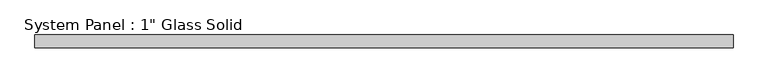
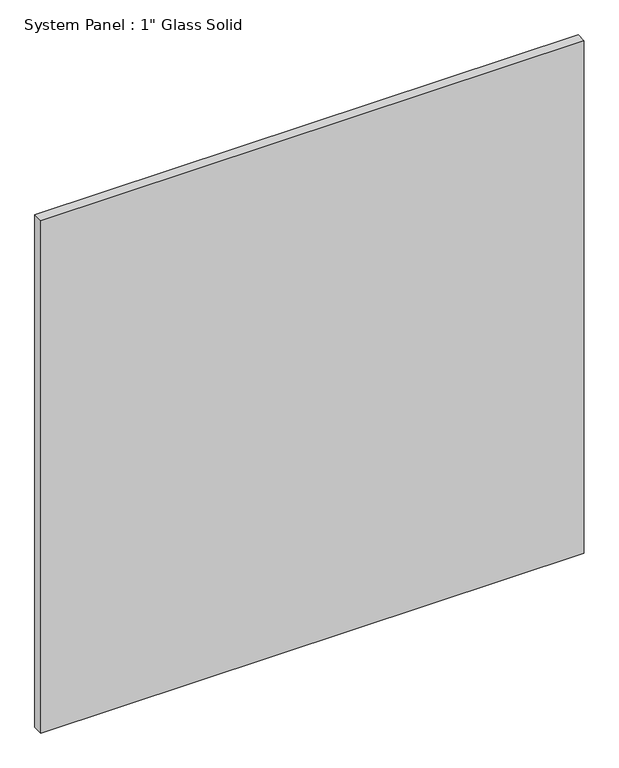
"""IFC4 building model written with IfcOpenShell, lengths in millimetres: plate geometry."""

import ifcopenshell
import ifcopenshell.guid

model = None  # the IFC model being written
_history = None  # IfcOwnerHistory: only IFC2X3 demands one
_inside = {}  # id of a spatial element -> (the spatial element, [elements in it])
_under = {}  # id of a project, library or spatial element -> (it, [spatial elements below it])
_declared = {}  # id of a project -> (the project, [libraries it declares])
_typed = {}  # id of a type object -> (the type object, [elements of that type])
_made_of = {}  # id of a material, layer set ... -> (it, [elements and type objects made of it])


def new_model(schema):
    """Start an empty IFC model of exactly this schema.

    Asked for "IFC4X3", IfcOpenShell would pick the latest addendum, in which some entities
    have other attributes; the version numbers below select the first issue.
    IFC2X3 requires an IfcOwnerHistory on every rooted entity: one is made here for all.
    """
    global model, _history
    if schema == "IFC4X3":
        model = ifcopenshell.file(schema_version=(4, 3, 0, 0))
    else:
        model = ifcopenshell.file(schema=schema)
    _inside.clear()
    _under.clear()
    _declared.clear()
    _typed.clear()
    _made_of.clear()
    _history = None
    if model.schema == "IFC2X3":
        org = make("IfcOrganization", Name="unknown")
        user = make(
            "IfcPersonAndOrganization",
            ThePerson=make("IfcPerson", FamilyName="unknown"),
            TheOrganization=org,
        )
        app = make(
            "IfcApplication",
            ApplicationDeveloper=org,
            Version="unknown",
            ApplicationFullName="unknown",
            ApplicationIdentifier="unknown",
        )
        _history = make(
            "IfcOwnerHistory",
            OwningUser=user,
            OwningApplication=app,
            ChangeAction="ADDED",
            CreationDate=0,
        )
    return model


def make(cls, **values):
    """One entity of the class cls with the attributes given. An attribute that is None is left unset."""
    return model.create_entity(
        cls, **{name: value for name, value in values.items() if value is not None}
    )


def rooted(cls, **values):
    """An entity with a GlobalId (a new one), such as an element, a storey or a relation."""
    return make(cls, GlobalId=ifcopenshell.guid.new(), OwnerHistory=_history, **values)


def si_unit(unit_type, name, prefix=None):
    """IfcSIUnit, for example si_unit("LENGTHUNIT", "METRE", prefix="MILLI")."""
    return make("IfcSIUnit", UnitType=unit_type, Prefix=prefix, Name=name)


def assignment(units):
    """IfcUnitAssignment: the units of a project."""
    return None if units is None else make("IfcUnitAssignment", Units=units)


def point(xyz):
    """IfcCartesianPoint."""
    return None if xyz is None else make("IfcCartesianPoint", Coordinates=xyz)


def direction(xyz):
    """IfcDirection."""
    return None if xyz is None else make("IfcDirection", DirectionRatios=xyz)


def frame(location, z_axis=None, x_axis=None):
    """IfcAxis2Placement3D, a coordinate frame: its origin and axes. An axis left out is left unset."""
    return make(
        "IfcAxis2Placement3D",
        Location=point(location),
        Axis=direction(z_axis),
        RefDirection=direction(x_axis),
    )


def origin():
    """The frame at (0, 0, 0) with its axes left unset."""
    return frame((0.0, 0.0, 0.0))


def origin_with_axes():
    """The frame at (0, 0, 0) with the z axis (0, 0, 1) and the x axis (1, 0, 0) written out."""
    return frame((0.0, 0.0, 0.0), z_axis=(0.0, 0.0, 1.0), x_axis=(1.0, 0.0, 0.0))


def place(relative_to, where):
    """IfcLocalPlacement: puts the frame where relative to a parent placement (None: the world)."""
    return make(
        "IfcLocalPlacement", PlacementRelTo=relative_to, RelativePlacement=where
    )


def context(
    kind, dimensions, precision=None, world=None, true_north=None, identifier=None
):
    """IfcGeometricRepresentationContext, for example the 3D "Model" context."""
    return make(
        "IfcGeometricRepresentationContext",
        ContextIdentifier=identifier,
        ContextType=kind,
        CoordinateSpaceDimension=dimensions,
        Precision=precision,
        WorldCoordinateSystem=world,
        TrueNorth=true_north,
    )


def project(units=None, contexts=None):
    """IfcProject with its units and contexts."""
    return rooted(
        "IfcProject",
        Name="project",
        RepresentationContexts=contexts,
        UnitsInContext=assignment(units),
    )


def spatial(cls, under=None, at=None, **own):
    """A site, building, storey or space (cls), placed at a placement, below another one or the project."""
    s = rooted(cls, ObjectPlacement=at, **own)
    if under is not None:
        _under.setdefault(under.id(), (under, []))[1].append(s)
    return s


def polyline(points):
    """IfcPolyline through the points."""
    return make("IfcPolyline", Points=[point(p) for p in points])


def outline(outer, holes=None, kind="AREA"):
    """IfcArbitraryClosedProfileDef: a profile drawn as a closed curve; with holes, ...WithVoids."""
    if holes is None:
        return make("IfcArbitraryClosedProfileDef", ProfileType=kind, OuterCurve=outer)
    return make(
        "IfcArbitraryProfileDefWithVoids",
        ProfileType=kind,
        OuterCurve=outer,
        InnerCurves=holes,
    )


def extrude(swept, where, along, depth):
    """IfcExtrudedAreaSolid: the profile swept, set in the frame where, extruded along a direction by depth."""
    return make(
        "IfcExtrudedAreaSolid",
        SweptArea=swept,
        Position=where,
        ExtrudedDirection=direction(along),
        Depth=depth,
    )


def shape(context_of_items, identifier, shape_type, items):
    """IfcShapeRepresentation: the items that make up one representation, for example the "Body"."""
    return make(
        "IfcShapeRepresentation",
        ContextOfItems=context_of_items,
        RepresentationIdentifier=identifier,
        RepresentationType=shape_type,
        Items=items,
    )


def source(mapping_origin, context_of_items, identifier, shape_type, items):
    """IfcRepresentationMap: a shape defined once, which mapped items show again and again."""
    return make(
        "IfcRepresentationMap",
        MappingOrigin=mapping_origin,
        MappedRepresentation=shape(context_of_items, identifier, shape_type, items),
    )


def transform(
    local_origin,
    x_axis=None,
    y_axis=None,
    z_axis=None,
    scale=None,
    scale2=None,
    scale3=None,
    uniform=True,
):
    """IfcCartesianTransformationOperator3D, or its non-uniform kind. x_axis, y_axis, z_axis: its Axis1, 2, 3."""
    if uniform:
        return make(
            "IfcCartesianTransformationOperator3D",
            Axis1=direction(x_axis),
            Axis2=direction(y_axis),
            LocalOrigin=point(local_origin),
            Scale=scale,
            Axis3=direction(z_axis),
        )
    return make(
        "IfcCartesianTransformationOperator3DnonUniform",
        Axis1=direction(x_axis),
        Axis2=direction(y_axis),
        LocalOrigin=point(local_origin),
        Scale=scale,
        Axis3=direction(z_axis),
        Scale2=scale2,
        Scale3=scale3,
    )


def mapped(mapping_source, mapping_target):
    """IfcMappedItem: shows the shape of a source again, moved by a transform."""
    return make(
        "IfcMappedItem", MappingSource=mapping_source, MappingTarget=mapping_target
    )


def made_of(thing, what):
    """Note that an element or type object is made of a material, layer set ...; save() writes the relation."""
    if what is not None:
        _made_of.setdefault(what.id(), (what, []))[1].append(thing)
    return thing


def element(
    cls,
    number,
    at=None,
    inside=None,
    cuts=None,
    type_object=None,
    material=None,
    context=None,
    identifier="Body",
    shape_type=None,
    held_by="IfcProductDefinitionShape",
    body=None,
    shapes=None,
    **own,
):
    """One element of the class cls, such as IfcWall. Its Tag is "e" and its number.

    at: its placement. inside: the storey or other place that contains it. cuts: it is an
    opening in that element (IfcRelVoidsElement). A single representation is given by context,
    identifier, shape_type and body (its items); several are given by shapes. held_by: the class
    of the entity that holds the representations. save() writes the other relations.
    """
    e = rooted(cls, Tag="e%d" % number, ObjectPlacement=at, **own)
    if body is not None:
        shapes = [shape(context, identifier, shape_type, body)]
    if shapes is not None:
        e.Representation = make(held_by, Representations=shapes)
    if inside is not None:
        _inside.setdefault(inside.id(), (inside, []))[1].append(e)
    if cuts is not None:
        rooted(
            "IfcRelVoidsElement", RelatingBuildingElement=cuts, RelatedOpeningElement=e
        )
    if type_object is not None:
        _typed.setdefault(type_object.id(), (type_object, []))[1].append(e)
    return made_of(e, material)


def aggregate(whole, parts):
    """IfcRelAggregates: a whole, such as a stair, and the parts it consists of."""
    return rooted("IfcRelAggregates", RelatingObject=whole, RelatedObjects=parts)


def save(model, path):
    """Write the relations noted so far, then the file.

    IfcRelAggregates (storeys below a building ...), IfcRelContainedInSpatialStructure (elements
    in a storey), IfcRelDefinesByType, IfcRelAssociatesMaterial and IfcRelDeclares: one each for
    every whole, place, type object, material and project.
    """
    for whole, parts in _under.values():
        aggregate(whole, parts)
    for where, things in _inside.values():
        rooted(
            "IfcRelContainedInSpatialStructure",
            RelatedElements=things,
            RelatingStructure=where,
        )
    for kind, things in _typed.values():
        rooted("IfcRelDefinesByType", RelatedObjects=things, RelatingType=kind)
    for what, things in _made_of.values():
        rooted("IfcRelAssociatesMaterial", RelatedObjects=things, RelatingMaterial=what)
    for by, libraries in _declared.values():
        rooted("IfcRelDeclares", RelatingContext=by, RelatedDefinitions=libraries)
    model.write(path)


def plate_6576469c(model_context):
    return source(origin(), model_context, "Body", "SweptSolid", [
        extrude(outline(polyline([(683.1054024, -12.7), (-683.1054024, -12.7), (-683.1054024, 12.7), (683.1054024, 12.7), (683.1054024, -12.7)])), origin_with_axes(), (0.0, 0.0, 1.0), 1361.3311731),
    ])


if __name__ == "__main__":
    model = new_model("IFC4")
    model_context = context("Model", 3, world=origin())
    ifc_project = project(units=[si_unit("LENGTHUNIT", "METRE", prefix="MILLI")], contexts=[model_context])
    site = spatial("IfcSite", under=ifc_project)
    building = spatial("IfcBuilding", under=site)
    placement = place(None, origin())
    plate_shape = plate_6576469c(model_context)
    element("IfcPlate", 1, ObjectType="System Panel : 1\" Glass Solid", at=placement, inside=building, context=model_context, shape_type="MappedRepresentation", body=[
        mapped(plate_shape, transform((0.0, 0.0, 0.0), x_axis=(1.0, 0.0, 0.0), y_axis=(0.0, 1.0, 0.0), z_axis=(0.0, 0.0, 1.0))),
    ])
    save(model, "model.ifc")
